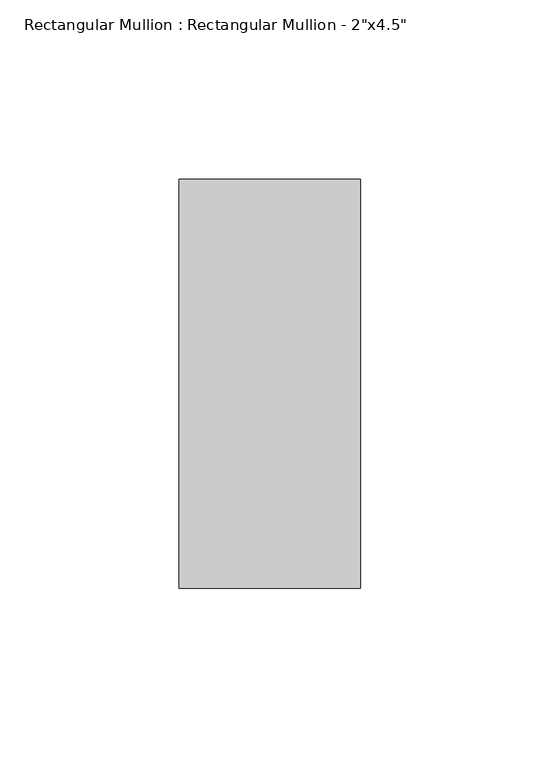
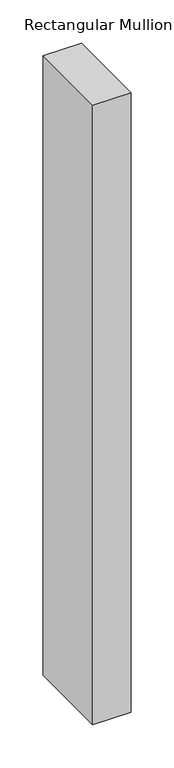
"""IFC4 building model written with IfcOpenShell, lengths in millimetres: member geometry."""

from ifc_helpers import new_model, si_unit, frame, origin, place, context, project, spatial, polyline, outline, extrude, source, transform, mapped, element, save


def member_3c4c47d4(model_context):
    return source(origin(), model_context, "Body", "SweptSolid", [
        extrude(outline(polyline([(25.4, 57.15), (25.4, -57.15), (-25.4, -57.15), (-25.4, 57.15), (25.4, 57.15)])), frame((0.0, 0.0, -872.0666667), z_axis=(0.0, 0.0, 1.0), x_axis=(1.0, 0.0, 0.0)), (0.0, 0.0, 1.0), 872.0666667),
    ])


if __name__ == "__main__":
    model = new_model("IFC4")
    model_context = context("Model", 3, world=origin())
    ifc_project = project(units=[si_unit("LENGTHUNIT", "METRE", prefix="MILLI")], contexts=[model_context])
    site = spatial("IfcSite", under=ifc_project)
    building = spatial("IfcBuilding", under=site)
    placement = place(None, origin())
    member_shape = member_3c4c47d4(model_context)
    element("IfcMember", 1, ObjectType="Rectangular Mullion : Rectangular Mullion - 2\"x4.5\"", at=placement, inside=building, context=model_context, shape_type="MappedRepresentation", body=[
        mapped(member_shape, transform((0.0, 0.0, 0.0), x_axis=(1.0, 0.0, 0.0), y_axis=(0.0, 1.0, 0.0), z_axis=(0.0, 0.0, 1.0))),
    ])
    save(model, "model.ifc")
